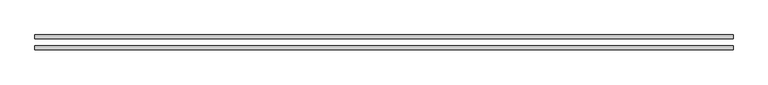
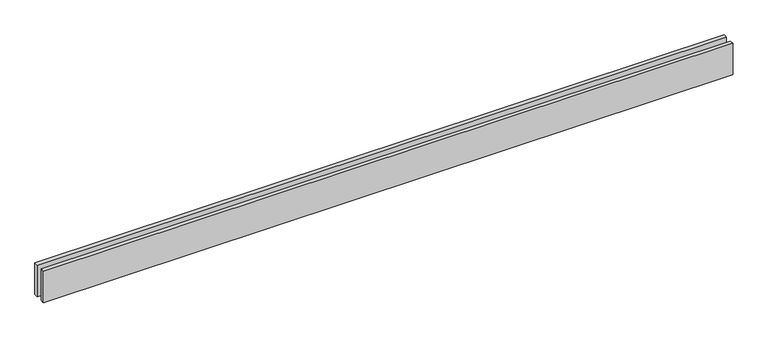
"""IFC4 building model written with IfcOpenShell, lengths in millimetres: proxy geometry."""

from ifc_helpers import new_model, si_unit, origin, origin_with_axes, place, context, project, spatial, polyline, outline, extrude, source, transform, mapped, element, save


def generic_models_1438e30b(model_context):
    return source(origin(), model_context, "Body", "SweptSolid", [
        extrude(outline(polyline([(5181.6233811, 25.0), (0.0, 25.0), (0.0, 55.0), (5181.6233811, 55.0), (5181.6233811, 25.0)])), origin_with_axes(), (0.0, 0.0, 1.0), 250.0),
        extrude(outline(polyline([(5181.6233811, -55.0), (0.0, -55.0), (0.0, -25.0), (5181.6233811, -25.0), (5181.6233811, -55.0)])), origin_with_axes(), (0.0, 0.0, 1.0), 250.0),
    ])


if __name__ == "__main__":
    model = new_model("IFC4")
    model_context = context("Model", 3, world=origin())
    ifc_project = project(units=[si_unit("LENGTHUNIT", "METRE", prefix="MILLI")], contexts=[model_context])
    site = spatial("IfcSite", under=ifc_project)
    building = spatial("IfcBuilding", under=site)
    placement = place(None, origin())
    generic_models_shape = generic_models_1438e30b(model_context)
    element("IfcBuildingElementProxy", 1, Name="Generic Models", at=placement, inside=building, context=model_context, shape_type="MappedRepresentation", body=[
        mapped(generic_models_shape, transform((0.0, 0.0, 0.0), x_axis=(1.0, 0.0, 0.0), y_axis=(0.0, 1.0, 0.0), z_axis=(0.0, 0.0, 1.0))),
    ])
    save(model, "model.ifc")
